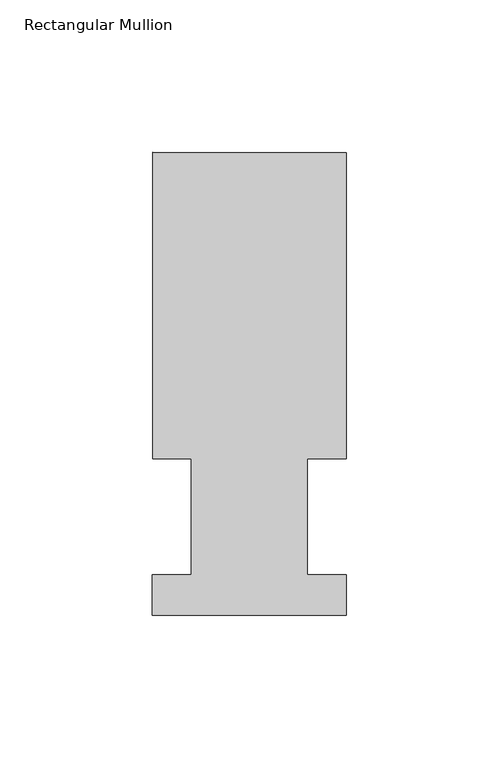
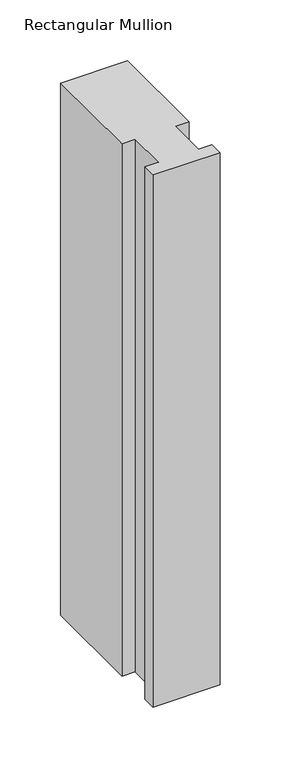
"""IFC4 building model written with IfcOpenShell, lengths in millimetres: member geometry, Rectangular Mullion."""

from ifc_helpers import new_model, si_unit, frame, origin, place, context, project, spatial, polyline, outline, extrude, source, transform, mapped, element, save


def rectangular_mullion_5854246e(model_context):
    return source(origin(), model_context, "Body", "SweptSolid", [
        extrude(outline(polyline([(-63.5, 151.7022938), (-3e-07, 151.6960069), (-0.0099403, 51.2960938), (-12.6972404, 51.2960938), (-12.7010151, 13.1697165), (-0.013715, 13.1697165), (-0.0150208, -0.0191695), (-63.5150205, -0.0128827), (-63.5137153, 13.1697165), (-50.8137153, 13.1697165), (-50.8099406, 51.2960938), (-63.5099407, 51.2960938), (-63.5, 151.7022938)])), frame((0.0, 0.0, -533.4), z_axis=(0.0, 0.0, 1.0), x_axis=(1.0, 0.0, 0.0)), (0.0, 0.0, 1.0), 533.4),
    ])


if __name__ == "__main__":
    model = new_model("IFC4")
    model_context = context("Model", 3, world=origin())
    ifc_project = project(units=[si_unit("LENGTHUNIT", "METRE", prefix="MILLI")], contexts=[model_context])
    site = spatial("IfcSite", under=ifc_project)
    building = spatial("IfcBuilding", under=site)
    placement = place(None, origin())
    rectangular_mullion_shape = rectangular_mullion_5854246e(model_context)
    element("IfcMember", 1, ObjectType="Rectangular Mullion", at=placement, inside=building, context=model_context, shape_type="MappedRepresentation", body=[
        mapped(rectangular_mullion_shape, transform((0.0, 0.0, 0.0), x_axis=(1.0, 0.0, 0.0), y_axis=(0.0, 1.0, 0.0), z_axis=(0.0, 0.0, 1.0))),
    ])
    save(model, "model.ifc")
